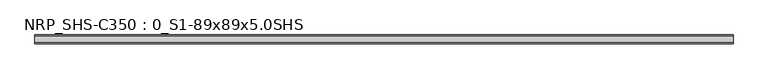
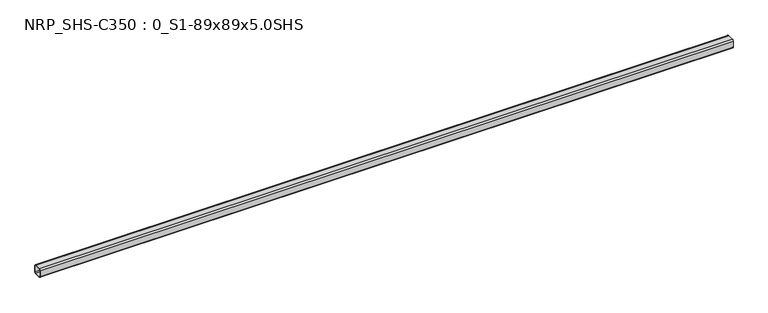
"""IFC4 building model written with IfcOpenShell, lengths in millimetres: beam geometry, NRP_SHS-C350 : 0_S1-89x89x5.0SHS."""

from ifc_helpers import new_model, si_unit, point, frame, frame_2d, origin, place, context, project, spatial, polyline, circle_curve, trimmed, segment, composite_curve, outline, extrude, source, transform, mapped, element, save


def nrp_shs_c350_0_s1_89x89x5_0shs_3a5d7ee3(model_context):
    return source(origin(), model_context, "Body", "SweptSolid", [
        extrude(outline(composite_curve([segment(trimmed(circle_curve(frame_2d((-32.0, 32.0)), 12.5), [point((-44.5, 32.0))], [point((-32.0, 44.5))], False, "CARTESIAN"), True, "CONTINUOUS"), segment(polyline([(-32.0, 44.5), (32.0, 44.5)]), True, "CONTINUOUS"), segment(trimmed(circle_curve(frame_2d((32.0, 32.0)), 12.5), [point((32.0, 44.5))], [point((44.5, 32.0))], False, "CARTESIAN"), True, "CONTINUOUS"), segment(polyline([(44.5, 32.0), (44.5, -32.0)]), True, "CONTINUOUS"), segment(trimmed(circle_curve(frame_2d((32.0, -32.0)), 12.5), [point((44.5, -32.0))], [point((32.0, -44.5))], False, "CARTESIAN"), True, "CONTINUOUS"), segment(polyline([(32.0, -44.5), (-32.0, -44.5)]), True, "CONTINUOUS"), segment(trimmed(circle_curve(frame_2d((-32.0, -32.0)), 12.5), [point((-32.0, -44.5))], [point((-44.5, -32.0))], False, "CARTESIAN"), True, "CONTINUOUS"), segment(polyline([(-44.5, -32.0), (-44.5, 32.0)]), True, "CONTINUOUS")], self_intersect=False), holes=[composite_curve([segment(polyline([(32.0, 39.5), (-32.0, 39.5)]), True, "CONTINUOUS"), segment(trimmed(circle_curve(frame_2d((-32.0, 32.0)), 7.5), [point((-32.0, 39.5))], [point((-39.5, 32.0))], True, "CARTESIAN"), True, "CONTINUOUS"), segment(polyline([(-39.5, 32.0), (-39.5, -32.0)]), True, "CONTINUOUS"), segment(trimmed(circle_curve(frame_2d((-32.0, -32.0)), 7.5), [point((-39.5, -32.0))], [point((-32.0, -39.5))], True, "CARTESIAN"), True, "CONTINUOUS"), segment(polyline([(-32.0, -39.5), (32.0, -39.5)]), True, "CONTINUOUS"), segment(trimmed(circle_curve(frame_2d((32.0, -32.0)), 7.5), [point((32.0, -39.5))], [point((39.5, -32.0))], True, "CARTESIAN"), True, "CONTINUOUS"), segment(polyline([(39.5, -32.0), (39.5, 32.0)]), True, "CONTINUOUS"), segment(trimmed(circle_curve(frame_2d((32.0, 32.0)), 7.5), [point((39.5, 32.0))], [point((32.0, 39.5))], True, "CARTESIAN"), True, "CONTINUOUS")], self_intersect=False)]), frame((-3464.5, 0.0, 0.0), z_axis=(1.0, 0.0, 0.0), x_axis=(0.0, 1.0, 0.0)), (0.0, 0.0, 1.0), 6942.0),
    ])


if __name__ == "__main__":
    model = new_model("IFC4")
    model_context = context("Model", 3, world=origin())
    ifc_project = project(units=[si_unit("LENGTHUNIT", "METRE", prefix="MILLI")], contexts=[model_context])
    site = spatial("IfcSite", under=ifc_project)
    building = spatial("IfcBuilding", under=site)
    placement = place(None, origin())
    nrp_shs_c350_0_s1_89x89x5_0shs_shape = nrp_shs_c350_0_s1_89x89x5_0shs_3a5d7ee3(model_context)
    element("IfcBeam", 1, ObjectType="NRP_SHS-C350 : 0_S1-89x89x5.0SHS", at=placement, inside=building, context=model_context, shape_type="MappedRepresentation", body=[
        mapped(nrp_shs_c350_0_s1_89x89x5_0shs_shape, transform((0.0, 0.0, 0.0), x_axis=(1.0, 0.0, 0.0), y_axis=(0.0, 1.0, 0.0), z_axis=(0.0, 0.0, 1.0))),
    ])
    save(model, "model.ifc")
